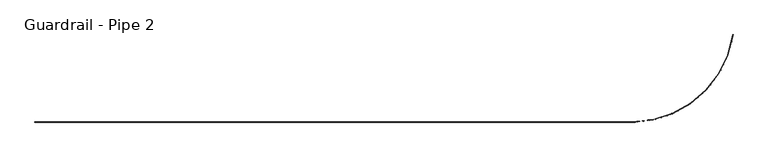
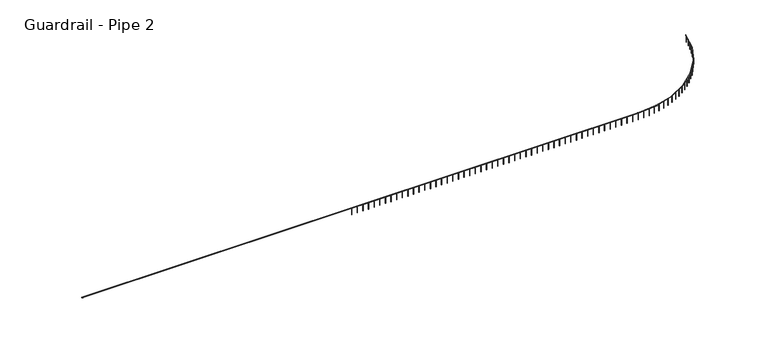
"""IFC4 building model written with IfcOpenShell, lengths in millimetres: railing geometry, Guardrail - Pipe 2."""

from ifc_helpers import new_model, si_unit, point, frame, frame_2d, origin, place, context, project, spatial, circle_curve, ellipse_curve, trimmed, segment, composite_curve, outline, extrude, source, transform, mapped, element, save
from ifc_brep_helpers import plane_surface, cylinder_surface, revolved_surface, advanced_brep


def guardrail_pipe_2_1f9bfa24(model_context):
    return source(origin(), model_context, "Body", "SolidModel", [
        advanced_brep(
        [(589779.0379835, -295002.7580223, 5010.15), (589779.0379835, -295040.8580223, 5010.15), (650133.4254676, -295002.7580223, 5010.15), (650133.4254676, -295040.8580223, 5010.15), (660402.7777139, -286185.5394234, 5010.15), (660365.0920176, -286179.9360054, 5010.15)],
        [
            (0, 1, circle_curve(frame((589779.0379835, -295021.8080223, 5010.15), z_axis=(-1.0, 0.0, 0.0), x_axis=(0.0, -1.0, 0.0)), 19.05)),
            (1, 0, circle_curve(frame((589779.0379835, -295021.8080223, 5010.15), z_axis=(-1.0, 0.0, 0.0), x_axis=(0.0, -1.0, 0.0)), 19.05)),
            (0, 2),
            (2, 3, circle_curve(frame((650133.4254676, -295021.8080223, 5010.15), z_axis=(-1.0, 0.0, 0.0), x_axis=(0.0, -1.0, 0.0)), 19.05)),
            (3, 1),
            (3, 2, circle_curve(frame((650133.4254676, -295021.8080223, 5010.15), z_axis=(-1.0, 0.0, 0.0), x_axis=(0.0, -1.0, 0.0)), 19.05)),
            (4, 3, circle_curve(frame((650133.4254676, -284658.6080223, 5010.15), z_axis=(0.0, 0.0, -1.0), x_axis=(0.0, -1.0, 0.0)), 10382.25)),
            (2, 5, circle_curve(frame((650133.4254676, -284658.6080223, 5010.15), z_axis=(0.0, 0.0, 1.0), x_axis=(0.0, -1.0, 0.0)), 10344.15)),
            (5, 4, circle_curve(frame((660383.9348658, -286182.7377144, 5010.15), z_axis=(-0.14707133820643628, -0.9891258875786075, 0.0), x_axis=(0.9891258875786075, -0.14707133820643628, 0.0)), 19.05)),
            (4, 5, circle_curve(frame((660383.9348658, -286182.7377144, 5010.15), z_axis=(-0.14707133820643384, -0.9891258875786079, 0.0), x_axis=(0.9891258875786079, -0.14707133820643384, 0.0)), 19.05)),
        ],
        [
            plane_surface(frame((589779.0379835, -295021.8080223, 5029.2), z_axis=(-1.0, 0.0, 0.0), x_axis=(0.0, 1.0, 0.0))),
            cylinder_surface(frame((589779.0379835, -295021.8080223, 5010.15), z_axis=(-1.0, 0.0, 0.0), x_axis=(0.0, -1.0, 0.0)), 19.05),
            revolved_surface(trimmed(ellipse_curve(frame((650133.4254676, -295021.8080223, 5010.15), z_axis=(-1.0, 0.0, 0.0), x_axis=(0.0, -1.0, 0.0)), 19.05, 19.05), [point((650133.4254676, -295002.7580223, 5010.15))], [point((650133.4254676, -295040.8580223, 5010.15))], True, "CARTESIAN"), (650133.4254676, -284658.6080223, 5029.2), (0.0, 0.0, 1.0)),
            revolved_surface(trimmed(ellipse_curve(frame((650133.4254676, -295021.8080223, 5010.15), z_axis=(-1.0, 0.0, 0.0), x_axis=(0.0, -1.0, 0.0)), 19.05, 19.05), [point((650133.4254676, -295040.8580223, 5010.15))], [point((650133.4254676, -295002.7580223, 5010.15))], True, "CARTESIAN"), (650133.4254676, -284658.6080223, 5029.2), (0.0, 0.0, 1.0)),
            plane_surface(frame((660383.9348658, -286182.7377144, 5029.2), z_axis=(0.1470713382064385, 0.9891258875786072, 0.0), x_axis=(0.9891258875786072, -0.1470713382064385, 0.0))),
        ],
        [
            (0, [[1, 2]]),
            (1, [[-1, 3, 4, 5]]),
            (1, [[-2, -5, 6, -3]]),
            (2, [[7, -4, 8, 9]]),
            (3, [[-8, -6, -7, 10]]),
            (4, [[-10, -9]]),
        ],
    ),
        extrude(outline(composite_curve([segment(trimmed(circle_curve(frame_2d((660365.8532923, -286299.746363)), 12.7), [point((660353.3135523, -286297.7351641))], [point((660378.3930322, -286301.757562))], False, "CARTESIAN"), True, "CONTINUOUS"), segment(trimmed(circle_curve(frame_2d((660365.8532923, -286299.746363)), 12.7), [point((660378.3930322, -286301.757562))], [point((660353.3135523, -286297.7351641))], False, "CARTESIAN"), True, "CONTINUOUS")], self_intersect=False)), frame((0.0, 0.0, 4267.2), z_axis=(0.0, 0.0, 1.0), x_axis=(1.0, 0.0, 0.0)), (0.0, 0.0, 1.0), 723.9),
        extrude(outline(composite_curve([segment(trimmed(circle_curve(frame_2d((660251.6733483, -286898.4683003)), 12.7), [point((660239.2735347, -286895.7233735))], [point((660264.0731619, -286901.2132271))], False, "CARTESIAN"), True, "CONTINUOUS"), segment(trimmed(circle_curve(frame_2d((660251.6733483, -286898.4683003)), 12.7), [point((660264.0731619, -286901.2132271))], [point((660239.2735347, -286895.7233735))], False, "CARTESIAN"), True, "CONTINUOUS")], self_intersect=False)), frame((0.0, 0.0, 4267.2), z_axis=(0.0, 0.0, 1.0), x_axis=(1.0, 0.0, 0.0)), (0.0, 0.0, 1.0), 723.9),
        extrude(outline(composite_curve([segment(trimmed(circle_curve(frame_2d((660102.4922604, -287489.4420906)), 12.7), [point((660090.2752667, -287485.9729312))], [point((660114.709254, -287492.9112499))], False, "CARTESIAN"), True, "CONTINUOUS"), segment(trimmed(circle_curve(frame_2d((660102.4922604, -287489.4420906)), 12.7), [point((660114.709254, -287492.9112499))], [point((660090.2752667, -287485.9729312))], False, "CARTESIAN"), True, "CONTINUOUS")], self_intersect=False)), frame((0.0, 0.0, 4267.2), z_axis=(0.0, 0.0, 1.0), x_axis=(1.0, 0.0, 0.0)), (0.0, 0.0, 1.0), 723.9),
        extrude(outline(composite_curve([segment(trimmed(circle_curve(frame_2d((659918.8260771, -288070.6234314)), 12.7), [point((659906.8341646, -288066.4420399))], [point((659930.8179896, -288074.8048228))], False, "CARTESIAN"), True, "CONTINUOUS"), segment(trimmed(circle_curve(frame_2d((659918.8260771, -288070.6234314)), 12.7), [point((659930.8179896, -288074.8048228))], [point((659906.8341646, -288066.4420399))], False, "CARTESIAN"), True, "CONTINUOUS")], self_intersect=False)), frame((0.0, 0.0, 4267.2), z_axis=(0.0, 0.0, 1.0), x_axis=(1.0, 0.0, 0.0)), (0.0, 0.0, 1.0), 723.9),
        extrude(outline(composite_curve([segment(trimmed(circle_curve(frame_2d((659701.3101385, -288640.0018944)), 12.7), [point((659689.5847896, -288635.1227353))], [point((659713.0354874, -288644.8810536))], False, "CARTESIAN"), True, "CONTINUOUS"), segment(trimmed(circle_curve(frame_2d((659701.3101385, -288640.0018944)), 12.7), [point((659713.0354874, -288644.8810536))], [point((659689.5847896, -288635.1227353))], False, "CARTESIAN"), True, "CONTINUOUS")], self_intersect=False)), frame((0.0, 0.0, 4267.2), z_axis=(0.0, 0.0, 1.0), x_axis=(1.0, 0.0, 0.0)), (0.0, 0.0, 1.0), 723.9),
        extrude(outline(composite_curve([segment(trimmed(circle_curve(frame_2d((659450.6968778, -289195.6078801)), 12.7), [point((659439.278653, -289190.0478312))], [point((659462.1151025, -289201.1679289))], False, "CARTESIAN"), True, "CONTINUOUS"), segment(trimmed(circle_curve(frame_2d((659450.6968778, -289195.6078801)), 12.7), [point((659462.1151025, -289201.1679289))], [point((659439.278653, -289190.0478312))], False, "CARTESIAN"), True, "CONTINUOUS")], self_intersect=False)), frame((0.0, 0.0, 4267.2), z_axis=(0.0, 0.0, 1.0), x_axis=(1.0, 0.0, 0.0)), (0.0, 0.0, 1.0), 723.9),
        extrude(outline(composite_curve([segment(trimmed(circle_curve(frame_2d((659167.8532189, -289735.5194306)), 12.7), [point((659156.7816162, -289729.2977254))], [point((659178.9248215, -289741.7411357))], False, "CARTESIAN"), True, "CONTINUOUS"), segment(trimmed(circle_curve(frame_2d((659167.8532189, -289735.5194306)), 12.7), [point((659178.9248215, -289741.7411357))], [point((659156.7816162, -289729.2977254))], False, "CARTESIAN"), True, "CONTINUOUS")], self_intersect=False)), frame((0.0, 0.0, 4267.2), z_axis=(0.0, 0.0, 1.0), x_axis=(1.0, 0.0, 0.0)), (0.0, 0.0, 1.0), 723.9),
        extrude(outline(composite_curve([segment(trimmed(circle_curve(frame_2d((658853.7575774, -290257.8688785)), 12.7), [point((658843.0708959, -290251.0070392))], [point((658864.4442589, -290264.7307178))], False, "CARTESIAN"), True, "CONTINUOUS"), segment(trimmed(circle_curve(frame_2d((658853.7575774, -290257.8688785)), 12.7), [point((658864.4442589, -290264.7307178))], [point((658843.0708959, -290251.0070392))], False, "CARTESIAN"), True, "CONTINUOUS")], self_intersect=False)), frame((0.0, 0.0, 4267.2), z_axis=(0.0, 0.0, 1.0), x_axis=(1.0, 0.0, 0.0)), (0.0, 0.0, 1.0), 723.9),
        extrude(outline(composite_curve([segment(trimmed(circle_curve(frame_2d((658509.4964761, -290760.8493074)), 12.7), [point((658499.2316832, -290753.3710706))], [point((658519.761269, -290768.3275443))], False, "CARTESIAN"), True, "CONTINUOUS"), segment(trimmed(circle_curve(frame_2d((658509.4964761, -290760.8493074)), 12.7), [point((658519.761269, -290768.3275443))], [point((658499.2316832, -290753.3710706))], False, "CARTESIAN"), True, "CONTINUOUS")], self_intersect=False)), frame((0.0, 0.0, 4267.2), z_axis=(0.0, 0.0, 1.0), x_axis=(1.0, 0.0, 0.0)), (0.0, 0.0, 1.0), 723.9),
        extrude(outline(composite_curve([segment(trimmed(circle_curve(frame_2d((658136.2607864, -291242.7208024)), 12.7), [point((658126.4533901, -291234.6520368))], [point((658146.0681826, -291250.7895681))], False, "CARTESIAN"), True, "CONTINUOUS"), segment(trimmed(circle_curve(frame_2d((658136.2607864, -291242.7208024)), 12.7), [point((658146.0681826, -291250.7895681))], [point((658126.4533901, -291234.6520368))], False, "CARTESIAN"), True, "CONTINUOUS")], self_intersect=False)), frame((0.0, 0.0, 4267.2), z_axis=(0.0, 0.0, 1.0), x_axis=(1.0, 0.0, 0.0)), (0.0, 0.0, 1.0), 723.9),
        extrude(outline(composite_curve([segment(trimmed(circle_curve(frame_2d((657735.3416089, -291701.8164688)), 12.7), [point((657726.0255352, -291693.1850859))], [point((657744.6576826, -291710.4478517))], False, "CARTESIAN"), True, "CONTINUOUS"), segment(trimmed(circle_curve(frame_2d((657735.3416089, -291701.8164688)), 12.7), [point((657744.6576826, -291710.4478517))], [point((657726.0255352, -291693.1850859))], False, "CARTESIAN"), True, "CONTINUOUS")], self_intersect=False)), frame((0.0, 0.0, 4267.2), z_axis=(0.0, 0.0, 1.0), x_axis=(1.0, 0.0, 0.0)), (0.0, 0.0, 1.0), 723.9),
        extrude(outline(composite_curve([segment(trimmed(circle_curve(frame_2d((657308.1258073, -292136.5481983)), 12.7), [point((657299.3332824, -292127.3840559))], [point((657316.9183322, -292145.7123407))], False, "CARTESIAN"), True, "CONTINUOUS"), segment(trimmed(circle_curve(frame_2d((657308.1258073, -292136.5481983)), 12.7), [point((657316.9183322, -292145.7123407))], [point((657299.3332824, -292127.3840559))], False, "CARTESIAN"), True, "CONTINUOUS")], self_intersect=False)), frame((0.0, 0.0, 4267.2), z_axis=(0.0, 0.0, 1.0), x_axis=(1.0, 0.0, 0.0)), (0.0, 0.0, 1.0), 723.9),
        extrude(outline(composite_curve([segment(trimmed(circle_curve(frame_2d((656856.0912107, -292545.4121626)), 12.7), [point((656847.8526498, -292535.7469614))], [point((656864.3297717, -292555.0773637))], False, "CARTESIAN"), True, "CONTINUOUS"), segment(trimmed(circle_curve(frame_2d((656856.0912107, -292545.4121626)), 12.7), [point((656864.3297717, -292555.0773637))], [point((656847.8526498, -292535.7469614))], False, "CARTESIAN"), True, "CONTINUOUS")], self_intersect=False)), frame((0.0, 0.0, 4267.2), z_axis=(0.0, 0.0, 1.0), x_axis=(1.0, 0.0, 0.0)), (0.0, 0.0, 1.0), 723.9),
        extrude(outline(composite_curve([segment(trimmed(circle_curve(frame_2d((656380.8015018, -292926.9940153)), 12.7), [point((656373.1454037, -292916.8611893))], [point((656388.4575998, -292937.1268412))], False, "CARTESIAN"), True, "CONTINUOUS"), segment(trimmed(circle_curve(frame_2d((656380.8015018, -292926.9940153)), 12.7), [point((656388.4575998, -292937.1268412))], [point((656373.1454037, -292916.8611893))], False, "CARTESIAN"), True, "CONTINUOUS")], self_intersect=False)), frame((0.0, 0.0, 4267.2), z_axis=(0.0, 0.0, 1.0), x_axis=(1.0, 0.0, 0.0)), (0.0, 0.0, 1.0), 723.9),
        extrude(outline(composite_curve([segment(trimmed(circle_curve(frame_2d((655883.9008073, -293279.9737847)), 12.7), [point((655876.8536562, -293269.4083854))], [point((655890.9479585, -293290.5391839))], False, "CARTESIAN"), True, "CONTINUOUS"), segment(trimmed(circle_curve(frame_2d((655883.9008073, -293279.9737847)), 12.7), [point((655890.9479585, -293290.5391839))], [point((655876.8536562, -293269.4083854))], False, "CARTESIAN"), True, "CONTINUOUS")], self_intersect=False)), frame((0.0, 0.0, 4267.2), z_axis=(0.0, 0.0, 1.0), x_axis=(1.0, 0.0, 0.0)), (0.0, 0.0, 1.0), 723.9),
        extrude(outline(composite_curve([segment(trimmed(circle_curve(frame_2d((655367.1080112, -293603.1304396)), 12.7), [point((655360.6941845, -293592.1690151))], [point((655373.5218378, -293614.0918641))], False, "CARTESIAN"), True, "CONTINUOUS"), segment(trimmed(circle_curve(frame_2d((655367.1080112, -293603.1304396)), 12.7), [point((655373.5218378, -293614.0918641))], [point((655360.6941845, -293592.1690151))], False, "CARTESIAN"), True, "CONTINUOUS")], self_intersect=False)), frame((0.0, 0.0, 4267.2), z_axis=(0.0, 0.0, 1.0), x_axis=(1.0, 0.0, 0.0)), (0.0, 0.0, 1.0), 723.9),
        extrude(outline(composite_curve([segment(trimmed(circle_curve(frame_2d((654832.2108082, -293895.3461134)), 12.7), [point((654826.4524929, -293884.0265814))], [point((654837.9691236, -293906.6656454))], False, "CARTESIAN"), True, "CONTINUOUS"), segment(trimmed(circle_curve(frame_2d((654832.2108082, -293895.3461134)), 12.7), [point((654837.9691236, -293906.6656454))], [point((654826.4524929, -293884.0265814))], False, "CARTESIAN"), True, "CONTINUOUS")], self_intersect=False)), frame((0.0, 0.0, 4267.2), z_axis=(0.0, 0.0, 1.0), x_axis=(1.0, 0.0, 0.0)), (0.0, 0.0, 1.0), 723.9),
        extrude(outline(composite_curve([segment(trimmed(circle_curve(frame_2d((654281.0595201, -294155.6099707)), 12.7), [point((654275.9766353, -294143.9714879))], [point((654286.142405, -294167.2484534))], False, "CARTESIAN"), True, "CONTINUOUS"), segment(trimmed(circle_curve(frame_2d((654281.0595201, -294155.6099707)), 12.7), [point((654286.142405, -294167.2484534))], [point((654275.9766353, -294143.9714879))], False, "CARTESIAN"), True, "CONTINUOUS")], self_intersect=False)), frame((0.0, 0.0, 4267.2), z_axis=(0.0, 0.0, 1.0), x_axis=(1.0, 0.0, 0.0)), (0.0, 0.0, 1.0), 723.9),
        extrude(outline(composite_curve([segment(trimmed(circle_curve(frame_2d((653715.560695, -294383.021704)), 12.7), [point((653711.1708234, -294371.1045304))], [point((653719.9505666, -294394.9388777))], False, "CARTESIAN"), True, "CONTINUOUS"), segment(trimmed(circle_curve(frame_2d((653715.560695, -294383.021704)), 12.7), [point((653719.9505666, -294394.9388777))], [point((653711.1708234, -294371.1045304))], False, "CARTESIAN"), True, "CONTINUOUS")], self_intersect=False)), frame((0.0, 0.0, 4267.2), z_axis=(0.0, 0.0, 1.0), x_axis=(1.0, 0.0, 0.0)), (0.0, 0.0, 1.0), 723.9),
        extrude(outline(composite_curve([segment(trimmed(circle_curve(frame_2d((653137.6705119, -294576.7946486)), 12.7), [point((653133.988839, -294564.6400082))], [point((653141.3521847, -294588.9492891))], False, "CARTESIAN"), True, "CONTINUOUS"), segment(trimmed(circle_curve(frame_2d((653137.6705119, -294576.7946486)), 12.7), [point((653141.3521847, -294588.9492891))], [point((653133.988839, -294564.6400082))], False, "CARTESIAN"), True, "CONTINUOUS")], self_intersect=False)), frame((0.0, 0.0, 4267.2), z_axis=(0.0, 0.0, 1.0), x_axis=(1.0, 0.0, 0.0)), (0.0, 0.0, 1.0), 723.9),
        extrude(outline(composite_curve([segment(trimmed(circle_curve(frame_2d((652549.3880144, -294736.2585031)), 12.7), [point((652546.427276, -294723.9084412))], [point((652552.3487528, -294748.608565))], False, "CARTESIAN"), True, "CONTINUOUS"), segment(trimmed(circle_curve(frame_2d((652549.3880144, -294736.2585031)), 12.7), [point((652552.3487528, -294748.608565))], [point((652546.427276, -294723.9084412))], False, "CARTESIAN"), True, "CONTINUOUS")], self_intersect=False)), frame((0.0, 0.0, 4267.2), z_axis=(0.0, 0.0, 1.0), x_axis=(1.0, 0.0, 0.0)), (0.0, 0.0, 1.0), 723.9),
        extrude(outline(composite_curve([segment(trimmed(circle_curve(frame_2d((651952.7481951, -294860.8616485)), 12.7), [point((651950.518633, -294848.3588867))], [point((651954.9777573, -294873.3644103))], False, "CARTESIAN"), True, "CONTINUOUS"), segment(trimmed(circle_curve(frame_2d((651952.7481951, -294860.8616485)), 12.7), [point((651954.9777573, -294873.3644103))], [point((651950.518633, -294848.3588867))], False, "CARTESIAN"), True, "CONTINUOUS")], self_intersect=False)), frame((0.0, 0.0, 4267.2), z_axis=(0.0, 0.0, 1.0), x_axis=(1.0, 0.0, 0.0)), (0.0, 0.0, 1.0), 723.9),
        extrude(outline(composite_curve([segment(trimmed(circle_curve(frame_2d((651349.8149566, -294950.1730564)), 12.7), [point((651348.3242832, -294937.5608444))], [point((651351.3056299, -294962.7852685))], False, "CARTESIAN"), True, "CONTINUOUS"), segment(trimmed(circle_curve(frame_2d((651349.8149566, -294950.1730564)), 12.7), [point((651351.3056299, -294962.7852685))], [point((651348.3242832, -294937.5608444))], False, "CARTESIAN"), True, "CONTINUOUS")], self_intersect=False)), frame((0.0, 0.0, 4267.2), z_axis=(0.0, 0.0, 1.0), x_axis=(1.0, 0.0, 0.0)), (0.0, 0.0, 1.0), 723.9),
        extrude(outline(composite_curve([segment(trimmed(circle_curve(frame_2d((650742.6739713, -295003.8837799)), 12.7), [point((650741.9273433, -294991.2057459))], [point((650743.4205994, -295016.561814))], False, "CARTESIAN"), True, "CONTINUOUS"), segment(trimmed(circle_curve(frame_2d((650742.6739713, -295003.8837799)), 12.7), [point((650743.4205994, -295016.561814))], [point((650741.9273433, -294991.2057459))], False, "CARTESIAN"), True, "CONTINUOUS")], self_intersect=False)), frame((0.0, 0.0, 4267.2), z_axis=(0.0, 0.0, 1.0), x_axis=(1.0, 0.0, 0.0)), (0.0, 0.0, 1.0), 723.9),
        extrude(outline(composite_curve([segment(trimmed(circle_curve(frame_2d((650129.4379835, -295021.8080223)), 12.7), [point((650129.4379835, -295009.1080223))], [point((650129.4379835, -295034.5080223))], False, "CARTESIAN"), True, "CONTINUOUS"), segment(trimmed(circle_curve(frame_2d((650129.4379835, -295021.8080223)), 12.7), [point((650129.4379835, -295034.5080223))], [point((650129.4379835, -295009.1080223))], False, "CARTESIAN"), True, "CONTINUOUS")], self_intersect=False)), frame((0.0, 0.0, 4267.2), z_axis=(0.0, 0.0, 1.0), x_axis=(1.0, 0.0, 0.0)), (0.0, 0.0, 1.0), 723.9),
        extrude(outline(composite_curve([segment(trimmed(circle_curve(frame_2d((649519.8379835, -295021.8080223)), 12.7), [point((649519.8379835, -295009.1080223))], [point((649519.8379835, -295034.5080223))], False, "CARTESIAN"), True, "CONTINUOUS"), segment(trimmed(circle_curve(frame_2d((649519.8379835, -295021.8080223)), 12.7), [point((649519.8379835, -295034.5080223))], [point((649519.8379835, -295009.1080223))], False, "CARTESIAN"), True, "CONTINUOUS")], self_intersect=False)), frame((0.0, 0.0, 4267.2), z_axis=(0.0, 0.0, 1.0), x_axis=(1.0, 0.0, 0.0)), (0.0, 0.0, 1.0), 723.9),
        extrude(outline(composite_curve([segment(trimmed(circle_curve(frame_2d((648910.2379835, -295021.8080223)), 12.7), [point((648910.2379835, -295009.1080223))], [point((648910.2379835, -295034.5080223))], False, "CARTESIAN"), True, "CONTINUOUS"), segment(trimmed(circle_curve(frame_2d((648910.2379835, -295021.8080223)), 12.7), [point((648910.2379835, -295034.5080223))], [point((648910.2379835, -295009.1080223))], False, "CARTESIAN"), True, "CONTINUOUS")], self_intersect=False)), frame((0.0, 0.0, 4267.2), z_axis=(0.0, 0.0, 1.0), x_axis=(1.0, 0.0, 0.0)), (0.0, 0.0, 1.0), 723.9),
        extrude(outline(composite_curve([segment(trimmed(circle_curve(frame_2d((648300.6379835, -295021.8080223)), 12.7), [point((648300.6379835, -295009.1080223))], [point((648300.6379835, -295034.5080223))], False, "CARTESIAN"), True, "CONTINUOUS"), segment(trimmed(circle_curve(frame_2d((648300.6379835, -295021.8080223)), 12.7), [point((648300.6379835, -295034.5080223))], [point((648300.6379835, -295009.1080223))], False, "CARTESIAN"), True, "CONTINUOUS")], self_intersect=False)), frame((0.0, 0.0, 4267.2), z_axis=(0.0, 0.0, 1.0), x_axis=(1.0, 0.0, 0.0)), (0.0, 0.0, 1.0), 723.9),
        extrude(outline(composite_curve([segment(trimmed(circle_curve(frame_2d((647691.0379835, -295021.8080223)), 12.7), [point((647691.0379835, -295009.1080223))], [point((647691.0379835, -295034.5080223))], False, "CARTESIAN"), True, "CONTINUOUS"), segment(trimmed(circle_curve(frame_2d((647691.0379835, -295021.8080223)), 12.7), [point((647691.0379835, -295034.5080223))], [point((647691.0379835, -295009.1080223))], False, "CARTESIAN"), True, "CONTINUOUS")], self_intersect=False)), frame((0.0, 0.0, 4267.2), z_axis=(0.0, 0.0, 1.0), x_axis=(1.0, 0.0, 0.0)), (0.0, 0.0, 1.0), 723.9),
        extrude(outline(composite_curve([segment(trimmed(circle_curve(frame_2d((647081.4379835, -295021.8080223)), 12.7), [point((647081.4379835, -295009.1080223))], [point((647081.4379835, -295034.5080223))], False, "CARTESIAN"), True, "CONTINUOUS"), segment(trimmed(circle_curve(frame_2d((647081.4379835, -295021.8080223)), 12.7), [point((647081.4379835, -295034.5080223))], [point((647081.4379835, -295009.1080223))], False, "CARTESIAN"), True, "CONTINUOUS")], self_intersect=False)), frame((0.0, 0.0, 4267.2), z_axis=(0.0, 0.0, 1.0), x_axis=(1.0, 0.0, 0.0)), (0.0, 0.0, 1.0), 723.9),
        extrude(outline(composite_curve([segment(trimmed(circle_curve(frame_2d((646471.8379835, -295021.8080223)), 12.7), [point((646471.8379835, -295009.1080223))], [point((646471.8379835, -295034.5080223))], False, "CARTESIAN"), True, "CONTINUOUS"), segment(trimmed(circle_curve(frame_2d((646471.8379835, -295021.8080223)), 12.7), [point((646471.8379835, -295034.5080223))], [point((646471.8379835, -295009.1080223))], False, "CARTESIAN"), True, "CONTINUOUS")], self_intersect=False)), frame((0.0, 0.0, 4267.2), z_axis=(0.0, 0.0, 1.0), x_axis=(1.0, 0.0, 0.0)), (0.0, 0.0, 1.0), 723.9),
        extrude(outline(composite_curve([segment(trimmed(circle_curve(frame_2d((645862.2379835, -295021.8080223)), 12.7), [point((645862.2379835, -295009.1080223))], [point((645862.2379835, -295034.5080223))], False, "CARTESIAN"), True, "CONTINUOUS"), segment(trimmed(circle_curve(frame_2d((645862.2379835, -295021.8080223)), 12.7), [point((645862.2379835, -295034.5080223))], [point((645862.2379835, -295009.1080223))], False, "CARTESIAN"), True, "CONTINUOUS")], self_intersect=False)), frame((0.0, 0.0, 4267.2), z_axis=(0.0, 0.0, 1.0), x_axis=(1.0, 0.0, 0.0)), (0.0, 0.0, 1.0), 723.9),
        extrude(outline(composite_curve([segment(trimmed(circle_curve(frame_2d((645252.6379835, -295021.8080223)), 12.7), [point((645252.6379835, -295009.1080223))], [point((645252.6379835, -295034.5080223))], False, "CARTESIAN"), True, "CONTINUOUS"), segment(trimmed(circle_curve(frame_2d((645252.6379835, -295021.8080223)), 12.7), [point((645252.6379835, -295034.5080223))], [point((645252.6379835, -295009.1080223))], False, "CARTESIAN"), True, "CONTINUOUS")], self_intersect=False)), frame((0.0, 0.0, 4267.2), z_axis=(0.0, 0.0, 1.0), x_axis=(1.0, 0.0, 0.0)), (0.0, 0.0, 1.0), 723.9),
        extrude(outline(composite_curve([segment(trimmed(circle_curve(frame_2d((644643.0379835, -295021.8080223)), 12.7), [point((644643.0379835, -295009.1080223))], [point((644643.0379835, -295034.5080223))], False, "CARTESIAN"), True, "CONTINUOUS"), segment(trimmed(circle_curve(frame_2d((644643.0379835, -295021.8080223)), 12.7), [point((644643.0379835, -295034.5080223))], [point((644643.0379835, -295009.1080223))], False, "CARTESIAN"), True, "CONTINUOUS")], self_intersect=False)), frame((0.0, 0.0, 4267.2), z_axis=(0.0, 0.0, 1.0), x_axis=(1.0, 0.0, 0.0)), (0.0, 0.0, 1.0), 723.9),
        extrude(outline(composite_curve([segment(trimmed(circle_curve(frame_2d((644033.4379835, -295021.8080223)), 12.7), [point((644033.4379835, -295009.1080223))], [point((644033.4379835, -295034.5080223))], False, "CARTESIAN"), True, "CONTINUOUS"), segment(trimmed(circle_curve(frame_2d((644033.4379835, -295021.8080223)), 12.7), [point((644033.4379835, -295034.5080223))], [point((644033.4379835, -295009.1080223))], False, "CARTESIAN"), True, "CONTINUOUS")], self_intersect=False)), frame((0.0, 0.0, 4267.2), z_axis=(0.0, 0.0, 1.0), x_axis=(1.0, 0.0, 0.0)), (0.0, 0.0, 1.0), 723.9),
        extrude(outline(composite_curve([segment(trimmed(circle_curve(frame_2d((643423.8379835, -295021.8080223)), 12.7), [point((643423.8379835, -295009.1080223))], [point((643423.8379835, -295034.5080223))], False, "CARTESIAN"), True, "CONTINUOUS"), segment(trimmed(circle_curve(frame_2d((643423.8379835, -295021.8080223)), 12.7), [point((643423.8379835, -295034.5080223))], [point((643423.8379835, -295009.1080223))], False, "CARTESIAN"), True, "CONTINUOUS")], self_intersect=False)), frame((0.0, 0.0, 4267.2), z_axis=(0.0, 0.0, 1.0), x_axis=(1.0, 0.0, 0.0)), (0.0, 0.0, 1.0), 723.9),
        extrude(outline(composite_curve([segment(trimmed(circle_curve(frame_2d((642814.2379835, -295021.8080223)), 12.7), [point((642814.2379835, -295009.1080223))], [point((642814.2379835, -295034.5080223))], False, "CARTESIAN"), True, "CONTINUOUS"), segment(trimmed(circle_curve(frame_2d((642814.2379835, -295021.8080223)), 12.7), [point((642814.2379835, -295034.5080223))], [point((642814.2379835, -295009.1080223))], False, "CARTESIAN"), True, "CONTINUOUS")], self_intersect=False)), frame((0.0, 0.0, 4267.2), z_axis=(0.0, 0.0, 1.0), x_axis=(1.0, 0.0, 0.0)), (0.0, 0.0, 1.0), 723.9),
        extrude(outline(composite_curve([segment(trimmed(circle_curve(frame_2d((642204.6379835, -295021.8080223)), 12.7), [point((642204.6379835, -295009.1080223))], [point((642204.6379835, -295034.5080223))], False, "CARTESIAN"), True, "CONTINUOUS"), segment(trimmed(circle_curve(frame_2d((642204.6379835, -295021.8080223)), 12.7), [point((642204.6379835, -295034.5080223))], [point((642204.6379835, -295009.1080223))], False, "CARTESIAN"), True, "CONTINUOUS")], self_intersect=False)), frame((0.0, 0.0, 4267.2), z_axis=(0.0, 0.0, 1.0), x_axis=(1.0, 0.0, 0.0)), (0.0, 0.0, 1.0), 723.9),
        extrude(outline(composite_curve([segment(trimmed(circle_curve(frame_2d((641595.0379835, -295021.8080223)), 12.7), [point((641595.0379835, -295009.1080223))], [point((641595.0379835, -295034.5080223))], False, "CARTESIAN"), True, "CONTINUOUS"), segment(trimmed(circle_curve(frame_2d((641595.0379835, -295021.8080223)), 12.7), [point((641595.0379835, -295034.5080223))], [point((641595.0379835, -295009.1080223))], False, "CARTESIAN"), True, "CONTINUOUS")], self_intersect=False)), frame((0.0, 0.0, 4267.2), z_axis=(0.0, 0.0, 1.0), x_axis=(1.0, 0.0, 0.0)), (0.0, 0.0, 1.0), 723.9),
        extrude(outline(composite_curve([segment(trimmed(circle_curve(frame_2d((640985.4379835, -295021.8080223)), 12.7), [point((640985.4379835, -295009.1080223))], [point((640985.4379835, -295034.5080223))], False, "CARTESIAN"), True, "CONTINUOUS"), segment(trimmed(circle_curve(frame_2d((640985.4379835, -295021.8080223)), 12.7), [point((640985.4379835, -295034.5080223))], [point((640985.4379835, -295009.1080223))], False, "CARTESIAN"), True, "CONTINUOUS")], self_intersect=False)), frame((0.0, 0.0, 4267.2), z_axis=(0.0, 0.0, 1.0), x_axis=(1.0, 0.0, 0.0)), (0.0, 0.0, 1.0), 723.9),
        extrude(outline(composite_curve([segment(trimmed(circle_curve(frame_2d((640375.8379835, -295021.8080223)), 12.7), [point((640375.8379835, -295009.1080223))], [point((640375.8379835, -295034.5080223))], False, "CARTESIAN"), True, "CONTINUOUS"), segment(trimmed(circle_curve(frame_2d((640375.8379835, -295021.8080223)), 12.7), [point((640375.8379835, -295034.5080223))], [point((640375.8379835, -295009.1080223))], False, "CARTESIAN"), True, "CONTINUOUS")], self_intersect=False)), frame((0.0, 0.0, 4267.2), z_axis=(0.0, 0.0, 1.0), x_axis=(1.0, 0.0, 0.0)), (0.0, 0.0, 1.0), 723.9),
        extrude(outline(composite_curve([segment(trimmed(circle_curve(frame_2d((639766.2379835, -295021.8080223)), 12.7), [point((639766.2379835, -295009.1080223))], [point((639766.2379835, -295034.5080223))], False, "CARTESIAN"), True, "CONTINUOUS"), segment(trimmed(circle_curve(frame_2d((639766.2379835, -295021.8080223)), 12.7), [point((639766.2379835, -295034.5080223))], [point((639766.2379835, -295009.1080223))], False, "CARTESIAN"), True, "CONTINUOUS")], self_intersect=False)), frame((0.0, 0.0, 4267.2), z_axis=(0.0, 0.0, 1.0), x_axis=(1.0, 0.0, 0.0)), (0.0, 0.0, 1.0), 723.9),
        extrude(outline(composite_curve([segment(trimmed(circle_curve(frame_2d((639156.6379835, -295021.8080223)), 12.7), [point((639156.6379835, -295009.1080223))], [point((639156.6379835, -295034.5080223))], False, "CARTESIAN"), True, "CONTINUOUS"), segment(trimmed(circle_curve(frame_2d((639156.6379835, -295021.8080223)), 12.7), [point((639156.6379835, -295034.5080223))], [point((639156.6379835, -295009.1080223))], False, "CARTESIAN"), True, "CONTINUOUS")], self_intersect=False)), frame((0.0, 0.0, 4267.2), z_axis=(0.0, 0.0, 1.0), x_axis=(1.0, 0.0, 0.0)), (0.0, 0.0, 1.0), 723.9),
        extrude(outline(composite_curve([segment(trimmed(circle_curve(frame_2d((638547.0379835, -295021.8080223)), 12.7), [point((638547.0379835, -295009.1080223))], [point((638547.0379835, -295034.5080223))], False, "CARTESIAN"), True, "CONTINUOUS"), segment(trimmed(circle_curve(frame_2d((638547.0379835, -295021.8080223)), 12.7), [point((638547.0379835, -295034.5080223))], [point((638547.0379835, -295009.1080223))], False, "CARTESIAN"), True, "CONTINUOUS")], self_intersect=False)), frame((0.0, 0.0, 4267.2), z_axis=(0.0, 0.0, 1.0), x_axis=(1.0, 0.0, 0.0)), (0.0, 0.0, 1.0), 723.9),
        extrude(outline(composite_curve([segment(trimmed(circle_curve(frame_2d((637937.4379835, -295021.8080223)), 12.7), [point((637937.4379835, -295009.1080223))], [point((637937.4379835, -295034.5080223))], False, "CARTESIAN"), True, "CONTINUOUS"), segment(trimmed(circle_curve(frame_2d((637937.4379835, -295021.8080223)), 12.7), [point((637937.4379835, -295034.5080223))], [point((637937.4379835, -295009.1080223))], False, "CARTESIAN"), True, "CONTINUOUS")], self_intersect=False)), frame((0.0, 0.0, 4267.2), z_axis=(0.0, 0.0, 1.0), x_axis=(1.0, 0.0, 0.0)), (0.0, 0.0, 1.0), 723.9),
        extrude(outline(composite_curve([segment(trimmed(circle_curve(frame_2d((637327.8379835, -295021.8080223)), 12.7), [point((637327.8379835, -295009.1080223))], [point((637327.8379835, -295034.5080223))], False, "CARTESIAN"), True, "CONTINUOUS"), segment(trimmed(circle_curve(frame_2d((637327.8379835, -295021.8080223)), 12.7), [point((637327.8379835, -295034.5080223))], [point((637327.8379835, -295009.1080223))], False, "CARTESIAN"), True, "CONTINUOUS")], self_intersect=False)), frame((0.0, 0.0, 4267.2), z_axis=(0.0, 0.0, 1.0), x_axis=(1.0, 0.0, 0.0)), (0.0, 0.0, 1.0), 723.9),
        extrude(outline(composite_curve([segment(trimmed(circle_curve(frame_2d((636718.2379835, -295021.8080223)), 12.7), [point((636718.2379835, -295009.1080223))], [point((636718.2379835, -295034.5080223))], False, "CARTESIAN"), True, "CONTINUOUS"), segment(trimmed(circle_curve(frame_2d((636718.2379835, -295021.8080223)), 12.7), [point((636718.2379835, -295034.5080223))], [point((636718.2379835, -295009.1080223))], False, "CARTESIAN"), True, "CONTINUOUS")], self_intersect=False)), frame((0.0, 0.0, 4267.2), z_axis=(0.0, 0.0, 1.0), x_axis=(1.0, 0.0, 0.0)), (0.0, 0.0, 1.0), 723.9),
        extrude(outline(composite_curve([segment(trimmed(circle_curve(frame_2d((636108.6379835, -295021.8080223)), 12.7), [point((636108.6379835, -295009.1080223))], [point((636108.6379835, -295034.5080223))], False, "CARTESIAN"), True, "CONTINUOUS"), segment(trimmed(circle_curve(frame_2d((636108.6379835, -295021.8080223)), 12.7), [point((636108.6379835, -295034.5080223))], [point((636108.6379835, -295009.1080223))], False, "CARTESIAN"), True, "CONTINUOUS")], self_intersect=False)), frame((0.0, 0.0, 4267.2), z_axis=(0.0, 0.0, 1.0), x_axis=(1.0, 0.0, 0.0)), (0.0, 0.0, 1.0), 723.9),
        extrude(outline(composite_curve([segment(trimmed(circle_curve(frame_2d((635499.0379835, -295021.8080223)), 12.7), [point((635499.0379835, -295009.1080223))], [point((635499.0379835, -295034.5080223))], False, "CARTESIAN"), True, "CONTINUOUS"), segment(trimmed(circle_curve(frame_2d((635499.0379835, -295021.8080223)), 12.7), [point((635499.0379835, -295034.5080223))], [point((635499.0379835, -295009.1080223))], False, "CARTESIAN"), True, "CONTINUOUS")], self_intersect=False)), frame((0.0, 0.0, 4267.2), z_axis=(0.0, 0.0, 1.0), x_axis=(1.0, 0.0, 0.0)), (0.0, 0.0, 1.0), 723.9),
        extrude(outline(composite_curve([segment(trimmed(circle_curve(frame_2d((634889.4379835, -295021.8080223)), 12.7), [point((634889.4379835, -295009.1080223))], [point((634889.4379835, -295034.5080223))], False, "CARTESIAN"), True, "CONTINUOUS"), segment(trimmed(circle_curve(frame_2d((634889.4379835, -295021.8080223)), 12.7), [point((634889.4379835, -295034.5080223))], [point((634889.4379835, -295009.1080223))], False, "CARTESIAN"), True, "CONTINUOUS")], self_intersect=False)), frame((0.0, 0.0, 4267.2), z_axis=(0.0, 0.0, 1.0), x_axis=(1.0, 0.0, 0.0)), (0.0, 0.0, 1.0), 723.9),
        extrude(outline(composite_curve([segment(trimmed(circle_curve(frame_2d((634279.8379835, -295021.8080223)), 12.7), [point((634279.8379835, -295009.1080223))], [point((634279.8379835, -295034.5080223))], False, "CARTESIAN"), True, "CONTINUOUS"), segment(trimmed(circle_curve(frame_2d((634279.8379835, -295021.8080223)), 12.7), [point((634279.8379835, -295034.5080223))], [point((634279.8379835, -295009.1080223))], False, "CARTESIAN"), True, "CONTINUOUS")], self_intersect=False)), frame((0.0, 0.0, 4267.2), z_axis=(0.0, 0.0, 1.0), x_axis=(1.0, 0.0, 0.0)), (0.0, 0.0, 1.0), 723.9),
        extrude(outline(composite_curve([segment(trimmed(circle_curve(frame_2d((633670.2379835, -295021.8080223)), 12.7), [point((633670.2379835, -295009.1080223))], [point((633670.2379835, -295034.5080223))], False, "CARTESIAN"), True, "CONTINUOUS"), segment(trimmed(circle_curve(frame_2d((633670.2379835, -295021.8080223)), 12.7), [point((633670.2379835, -295034.5080223))], [point((633670.2379835, -295009.1080223))], False, "CARTESIAN"), True, "CONTINUOUS")], self_intersect=False)), frame((0.0, 0.0, 4267.2), z_axis=(0.0, 0.0, 1.0), x_axis=(1.0, 0.0, 0.0)), (0.0, 0.0, 1.0), 723.9),
        extrude(outline(composite_curve([segment(trimmed(circle_curve(frame_2d((633060.6379835, -295021.8080223)), 12.7), [point((633060.6379835, -295009.1080223))], [point((633060.6379835, -295034.5080223))], False, "CARTESIAN"), True, "CONTINUOUS"), segment(trimmed(circle_curve(frame_2d((633060.6379835, -295021.8080223)), 12.7), [point((633060.6379835, -295034.5080223))], [point((633060.6379835, -295009.1080223))], False, "CARTESIAN"), True, "CONTINUOUS")], self_intersect=False)), frame((0.0, 0.0, 4267.2), z_axis=(0.0, 0.0, 1.0), x_axis=(1.0, 0.0, 0.0)), (0.0, 0.0, 1.0), 723.9),
        extrude(outline(composite_curve([segment(trimmed(circle_curve(frame_2d((632451.0379835, -295021.8080223)), 12.7), [point((632451.0379835, -295009.1080223))], [point((632451.0379835, -295034.5080223))], False, "CARTESIAN"), True, "CONTINUOUS"), segment(trimmed(circle_curve(frame_2d((632451.0379835, -295021.8080223)), 12.7), [point((632451.0379835, -295034.5080223))], [point((632451.0379835, -295009.1080223))], False, "CARTESIAN"), True, "CONTINUOUS")], self_intersect=False)), frame((0.0, 0.0, 4267.2), z_axis=(0.0, 0.0, 1.0), x_axis=(1.0, 0.0, 0.0)), (0.0, 0.0, 1.0), 723.9),
        extrude(outline(composite_curve([segment(trimmed(circle_curve(frame_2d((631841.4379835, -295021.8080223)), 12.7), [point((631841.4379835, -295009.1080223))], [point((631841.4379835, -295034.5080223))], False, "CARTESIAN"), True, "CONTINUOUS"), segment(trimmed(circle_curve(frame_2d((631841.4379835, -295021.8080223)), 12.7), [point((631841.4379835, -295034.5080223))], [point((631841.4379835, -295009.1080223))], False, "CARTESIAN"), True, "CONTINUOUS")], self_intersect=False)), frame((0.0, 0.0, 4267.2), z_axis=(0.0, 0.0, 1.0), x_axis=(1.0, 0.0, 0.0)), (0.0, 0.0, 1.0), 723.9),
        extrude(outline(composite_curve([segment(trimmed(circle_curve(frame_2d((631231.8379835, -295021.8080223)), 12.7), [point((631231.8379835, -295009.1080223))], [point((631231.8379835, -295034.5080223))], False, "CARTESIAN"), True, "CONTINUOUS"), segment(trimmed(circle_curve(frame_2d((631231.8379835, -295021.8080223)), 12.7), [point((631231.8379835, -295034.5080223))], [point((631231.8379835, -295009.1080223))], False, "CARTESIAN"), True, "CONTINUOUS")], self_intersect=False)), frame((0.0, 0.0, 4267.2), z_axis=(0.0, 0.0, 1.0), x_axis=(1.0, 0.0, 0.0)), (0.0, 0.0, 1.0), 723.9),
        extrude(outline(composite_curve([segment(trimmed(circle_curve(frame_2d((630622.2379835, -295021.8080223)), 12.7), [point((630622.2379835, -295009.1080223))], [point((630622.2379835, -295034.5080223))], False, "CARTESIAN"), True, "CONTINUOUS"), segment(trimmed(circle_curve(frame_2d((630622.2379835, -295021.8080223)), 12.7), [point((630622.2379835, -295034.5080223))], [point((630622.2379835, -295009.1080223))], False, "CARTESIAN"), True, "CONTINUOUS")], self_intersect=False)), frame((0.0, 0.0, 4267.2), z_axis=(0.0, 0.0, 1.0), x_axis=(1.0, 0.0, 0.0)), (0.0, 0.0, 1.0), 723.9),
        extrude(outline(composite_curve([segment(trimmed(circle_curve(frame_2d((630012.6379835, -295021.8080223)), 12.7), [point((630012.6379835, -295009.1080223))], [point((630012.6379835, -295034.5080223))], False, "CARTESIAN"), True, "CONTINUOUS"), segment(trimmed(circle_curve(frame_2d((630012.6379835, -295021.8080223)), 12.7), [point((630012.6379835, -295034.5080223))], [point((630012.6379835, -295009.1080223))], False, "CARTESIAN"), True, "CONTINUOUS")], self_intersect=False)), frame((0.0, 0.0, 4267.2), z_axis=(0.0, 0.0, 1.0), x_axis=(1.0, 0.0, 0.0)), (0.0, 0.0, 1.0), 723.9),
        extrude(outline(composite_curve([segment(trimmed(circle_curve(frame_2d((629403.0379835, -295021.8080223)), 12.7), [point((629403.0379835, -295009.1080223))], [point((629403.0379835, -295034.5080223))], False, "CARTESIAN"), True, "CONTINUOUS"), segment(trimmed(circle_curve(frame_2d((629403.0379835, -295021.8080223)), 12.7), [point((629403.0379835, -295034.5080223))], [point((629403.0379835, -295009.1080223))], False, "CARTESIAN"), True, "CONTINUOUS")], self_intersect=False)), frame((0.0, 0.0, 4267.2), z_axis=(0.0, 0.0, 1.0), x_axis=(1.0, 0.0, 0.0)), (0.0, 0.0, 1.0), 723.9),
        extrude(outline(composite_curve([segment(trimmed(circle_curve(frame_2d((628793.4379835, -295021.8080223)), 12.7), [point((628793.4379835, -295009.1080223))], [point((628793.4379835, -295034.5080223))], False, "CARTESIAN"), True, "CONTINUOUS"), segment(trimmed(circle_curve(frame_2d((628793.4379835, -295021.8080223)), 12.7), [point((628793.4379835, -295034.5080223))], [point((628793.4379835, -295009.1080223))], False, "CARTESIAN"), True, "CONTINUOUS")], self_intersect=False)), frame((0.0, 0.0, 4267.2), z_axis=(0.0, 0.0, 1.0), x_axis=(1.0, 0.0, 0.0)), (0.0, 0.0, 1.0), 723.9),
        extrude(outline(composite_curve([segment(trimmed(circle_curve(frame_2d((628183.8379835, -295021.8080223)), 12.7), [point((628183.8379835, -295009.1080223))], [point((628183.8379835, -295034.5080223))], False, "CARTESIAN"), True, "CONTINUOUS"), segment(trimmed(circle_curve(frame_2d((628183.8379835, -295021.8080223)), 12.7), [point((628183.8379835, -295034.5080223))], [point((628183.8379835, -295009.1080223))], False, "CARTESIAN"), True, "CONTINUOUS")], self_intersect=False)), frame((0.0, 0.0, 4267.2), z_axis=(0.0, 0.0, 1.0), x_axis=(1.0, 0.0, 0.0)), (0.0, 0.0, 1.0), 723.9),
        extrude(outline(composite_curve([segment(trimmed(circle_curve(frame_2d((627574.2379835, -295021.8080223)), 12.7), [point((627574.2379835, -295009.1080223))], [point((627574.2379835, -295034.5080223))], False, "CARTESIAN"), True, "CONTINUOUS"), segment(trimmed(circle_curve(frame_2d((627574.2379835, -295021.8080223)), 12.7), [point((627574.2379835, -295034.5080223))], [point((627574.2379835, -295009.1080223))], False, "CARTESIAN"), True, "CONTINUOUS")], self_intersect=False)), frame((0.0, 0.0, 4267.2), z_axis=(0.0, 0.0, 1.0), x_axis=(1.0, 0.0, 0.0)), (0.0, 0.0, 1.0), 723.9),
        extrude(outline(composite_curve([segment(trimmed(circle_curve(frame_2d((626964.6379835, -295021.8080223)), 12.7), [point((626964.6379835, -295009.1080223))], [point((626964.6379835, -295034.5080223))], False, "CARTESIAN"), True, "CONTINUOUS"), segment(trimmed(circle_curve(frame_2d((626964.6379835, -295021.8080223)), 12.7), [point((626964.6379835, -295034.5080223))], [point((626964.6379835, -295009.1080223))], False, "CARTESIAN"), True, "CONTINUOUS")], self_intersect=False)), frame((0.0, 0.0, 4267.2), z_axis=(0.0, 0.0, 1.0), x_axis=(1.0, 0.0, 0.0)), (0.0, 0.0, 1.0), 723.9),
        extrude(outline(composite_curve([segment(trimmed(circle_curve(frame_2d((626355.0379835, -295021.8080223)), 12.7), [point((626355.0379835, -295009.1080223))], [point((626355.0379835, -295034.5080223))], False, "CARTESIAN"), True, "CONTINUOUS"), segment(trimmed(circle_curve(frame_2d((626355.0379835, -295021.8080223)), 12.7), [point((626355.0379835, -295034.5080223))], [point((626355.0379835, -295009.1080223))], False, "CARTESIAN"), True, "CONTINUOUS")], self_intersect=False)), frame((0.0, 0.0, 4267.2), z_axis=(0.0, 0.0, 1.0), x_axis=(1.0, 0.0, 0.0)), (0.0, 0.0, 1.0), 723.9),
        extrude(outline(composite_curve([segment(trimmed(circle_curve(frame_2d((625745.4379835, -295021.8080223)), 12.7), [point((625745.4379835, -295009.1080223))], [point((625745.4379835, -295034.5080223))], False, "CARTESIAN"), True, "CONTINUOUS"), segment(trimmed(circle_curve(frame_2d((625745.4379835, -295021.8080223)), 12.7), [point((625745.4379835, -295034.5080223))], [point((625745.4379835, -295009.1080223))], False, "CARTESIAN"), True, "CONTINUOUS")], self_intersect=False)), frame((0.0, 0.0, 4267.2), z_axis=(0.0, 0.0, 1.0), x_axis=(1.0, 0.0, 0.0)), (0.0, 0.0, 1.0), 723.9),
        extrude(outline(composite_curve([segment(trimmed(circle_curve(frame_2d((625135.8379835, -295021.8080223)), 12.7), [point((625135.8379835, -295009.1080223))], [point((625135.8379835, -295034.5080223))], False, "CARTESIAN"), True, "CONTINUOUS"), segment(trimmed(circle_curve(frame_2d((625135.8379835, -295021.8080223)), 12.7), [point((625135.8379835, -295034.5080223))], [point((625135.8379835, -295009.1080223))], False, "CARTESIAN"), True, "CONTINUOUS")], self_intersect=False)), frame((0.0, 0.0, 4267.2), z_axis=(0.0, 0.0, 1.0), x_axis=(1.0, 0.0, 0.0)), (0.0, 0.0, 1.0), 723.9),
        extrude(outline(composite_curve([segment(trimmed(circle_curve(frame_2d((624526.2379835, -295021.8080223)), 12.7), [point((624526.2379835, -295009.1080223))], [point((624526.2379835, -295034.5080223))], False, "CARTESIAN"), True, "CONTINUOUS"), segment(trimmed(circle_curve(frame_2d((624526.2379835, -295021.8080223)), 12.7), [point((624526.2379835, -295034.5080223))], [point((624526.2379835, -295009.1080223))], False, "CARTESIAN"), True, "CONTINUOUS")], self_intersect=False)), frame((0.0, 0.0, 4267.2), z_axis=(0.0, 0.0, 1.0), x_axis=(1.0, 0.0, 0.0)), (0.0, 0.0, 1.0), 723.9),
        extrude(outline(composite_curve([segment(trimmed(circle_curve(frame_2d((623916.6379835, -295021.8080223)), 12.7), [point((623916.6379835, -295009.1080223))], [point((623916.6379835, -295034.5080223))], False, "CARTESIAN"), True, "CONTINUOUS"), segment(trimmed(circle_curve(frame_2d((623916.6379835, -295021.8080223)), 12.7), [point((623916.6379835, -295034.5080223))], [point((623916.6379835, -295009.1080223))], False, "CARTESIAN"), True, "CONTINUOUS")], self_intersect=False)), frame((0.0, 0.0, 4267.2), z_axis=(0.0, 0.0, 1.0), x_axis=(1.0, 0.0, 0.0)), (0.0, 0.0, 1.0), 723.9),
        extrude(outline(composite_curve([segment(trimmed(circle_curve(frame_2d((623307.0379835, -295021.8080223)), 12.7), [point((623307.0379835, -295009.1080223))], [point((623307.0379835, -295034.5080223))], False, "CARTESIAN"), True, "CONTINUOUS"), segment(trimmed(circle_curve(frame_2d((623307.0379835, -295021.8080223)), 12.7), [point((623307.0379835, -295034.5080223))], [point((623307.0379835, -295009.1080223))], False, "CARTESIAN"), True, "CONTINUOUS")], self_intersect=False)), frame((0.0, 0.0, 4267.2), z_axis=(0.0, 0.0, 1.0), x_axis=(1.0, 0.0, 0.0)), (0.0, 0.0, 1.0), 723.9),
        extrude(outline(composite_curve([segment(trimmed(circle_curve(frame_2d((622697.4379835, -295021.8080223)), 12.7), [point((622697.4379835, -295009.1080223))], [point((622697.4379835, -295034.5080223))], False, "CARTESIAN"), True, "CONTINUOUS"), segment(trimmed(circle_curve(frame_2d((622697.4379835, -295021.8080223)), 12.7), [point((622697.4379835, -295034.5080223))], [point((622697.4379835, -295009.1080223))], False, "CARTESIAN"), True, "CONTINUOUS")], self_intersect=False)), frame((0.0, 0.0, 4267.2), z_axis=(0.0, 0.0, 1.0), x_axis=(1.0, 0.0, 0.0)), (0.0, 0.0, 1.0), 723.9),
        extrude(outline(composite_curve([segment(trimmed(circle_curve(frame_2d((622087.8379835, -295021.8080223)), 12.7), [point((622087.8379835, -295009.1080223))], [point((622087.8379835, -295034.5080223))], False, "CARTESIAN"), True, "CONTINUOUS"), segment(trimmed(circle_curve(frame_2d((622087.8379835, -295021.8080223)), 12.7), [point((622087.8379835, -295034.5080223))], [point((622087.8379835, -295009.1080223))], False, "CARTESIAN"), True, "CONTINUOUS")], self_intersect=False)), frame((0.0, 0.0, 4267.2), z_axis=(0.0, 0.0, 1.0), x_axis=(1.0, 0.0, 0.0)), (0.0, 0.0, 1.0), 723.9),
        extrude(outline(composite_curve([segment(trimmed(circle_curve(frame_2d((621478.2379835, -295021.8080223)), 12.7), [point((621478.2379835, -295009.1080223))], [point((621478.2379835, -295034.5080223))], False, "CARTESIAN"), True, "CONTINUOUS"), segment(trimmed(circle_curve(frame_2d((621478.2379835, -295021.8080223)), 12.7), [point((621478.2379835, -295034.5080223))], [point((621478.2379835, -295009.1080223))], False, "CARTESIAN"), True, "CONTINUOUS")], self_intersect=False)), frame((0.0, 0.0, 4267.2), z_axis=(0.0, 0.0, 1.0), x_axis=(1.0, 0.0, 0.0)), (0.0, 0.0, 1.0), 723.9),
        extrude(outline(composite_curve([segment(trimmed(circle_curve(frame_2d((620868.6379835, -295021.8080223)), 12.7), [point((620868.6379835, -295009.1080223))], [point((620868.6379835, -295034.5080223))], False, "CARTESIAN"), True, "CONTINUOUS"), segment(trimmed(circle_curve(frame_2d((620868.6379835, -295021.8080223)), 12.7), [point((620868.6379835, -295034.5080223))], [point((620868.6379835, -295009.1080223))], False, "CARTESIAN"), True, "CONTINUOUS")], self_intersect=False)), frame((0.0, 0.0, 4267.2), z_axis=(0.0, 0.0, 1.0), x_axis=(1.0, 0.0, 0.0)), (0.0, 0.0, 1.0), 723.9),
        extrude(outline(composite_curve([segment(trimmed(circle_curve(frame_2d((620259.0379835, -295021.8080223)), 12.7), [point((620259.0379835, -295009.1080223))], [point((620259.0379835, -295034.5080223))], False, "CARTESIAN"), True, "CONTINUOUS"), segment(trimmed(circle_curve(frame_2d((620259.0379835, -295021.8080223)), 12.7), [point((620259.0379835, -295034.5080223))], [point((620259.0379835, -295009.1080223))], False, "CARTESIAN"), True, "CONTINUOUS")], self_intersect=False)), frame((0.0, 0.0, 4267.2), z_axis=(0.0, 0.0, 1.0), x_axis=(1.0, 0.0, 0.0)), (0.0, 0.0, 1.0), 723.9),
        extrude(outline(composite_curve([segment(trimmed(circle_curve(frame_2d((619649.4379835, -295021.8080223)), 12.7), [point((619649.4379835, -295009.1080223))], [point((619649.4379835, -295034.5080223))], False, "CARTESIAN"), True, "CONTINUOUS"), segment(trimmed(circle_curve(frame_2d((619649.4379835, -295021.8080223)), 12.7), [point((619649.4379835, -295034.5080223))], [point((619649.4379835, -295009.1080223))], False, "CARTESIAN"), True, "CONTINUOUS")], self_intersect=False)), frame((0.0, 0.0, 4267.2), z_axis=(0.0, 0.0, 1.0), x_axis=(1.0, 0.0, 0.0)), (0.0, 0.0, 1.0), 723.9),
        extrude(outline(composite_curve([segment(trimmed(circle_curve(frame_2d((619039.8379835, -295021.8080223)), 12.7), [point((619039.8379835, -295009.1080223))], [point((619039.8379835, -295034.5080223))], False, "CARTESIAN"), True, "CONTINUOUS"), segment(trimmed(circle_curve(frame_2d((619039.8379835, -295021.8080223)), 12.7), [point((619039.8379835, -295034.5080223))], [point((619039.8379835, -295009.1080223))], False, "CARTESIAN"), True, "CONTINUOUS")], self_intersect=False)), frame((0.0, 0.0, 4267.2), z_axis=(0.0, 0.0, 1.0), x_axis=(1.0, 0.0, 0.0)), (0.0, 0.0, 1.0), 723.9),
    ])


if __name__ == "__main__":
    model = new_model("IFC4")
    model_context = context("Model", 3, world=origin())
    ifc_project = project(units=[si_unit("LENGTHUNIT", "METRE", prefix="MILLI")], contexts=[model_context])
    site = spatial("IfcSite", under=ifc_project)
    building = spatial("IfcBuilding", under=site)
    placement = place(None, origin())
    guardrail_pipe_2_shape = guardrail_pipe_2_1f9bfa24(model_context)
    element("IfcRailing", 1, ObjectType="Guardrail - Pipe 2", at=placement, inside=building, context=model_context, shape_type="MappedRepresentation", body=[
        mapped(guardrail_pipe_2_shape, transform((0.0, 0.0, 0.0), x_axis=(1.0, 0.0, 0.0), y_axis=(0.0, 1.0, 0.0), z_axis=(0.0, 0.0, 1.0))),
    ])
    save(model, "model.ifc")
